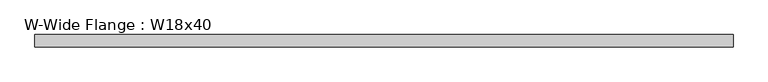
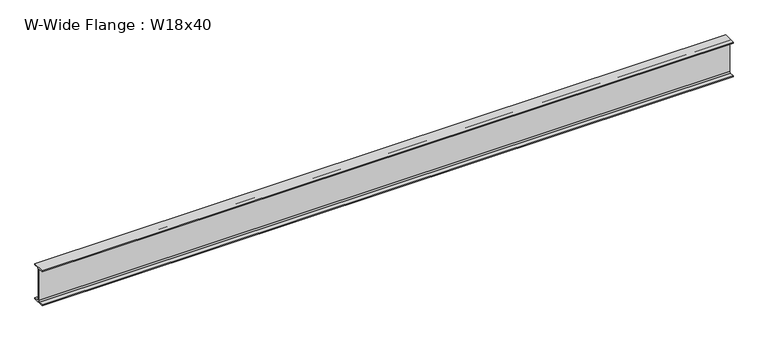
"""IFC4 building model written with IfcOpenShell, lengths in millimetres: beam geometry, W-Wide Flange : W18x40."""

import ifcopenshell
import ifcopenshell.guid

model = None  # the IFC model being written
_history = None  # IfcOwnerHistory: only IFC2X3 demands one
_inside = {}  # id of a spatial element -> (the spatial element, [elements in it])
_under = {}  # id of a project, library or spatial element -> (it, [spatial elements below it])
_declared = {}  # id of a project -> (the project, [libraries it declares])
_typed = {}  # id of a type object -> (the type object, [elements of that type])
_made_of = {}  # id of a material, layer set ... -> (it, [elements and type objects made of it])


def new_model(schema):
    """Start an empty IFC model of exactly this schema.

    Asked for "IFC4X3", IfcOpenShell would pick the latest addendum, in which some entities
    have other attributes; the version numbers below select the first issue.
    IFC2X3 requires an IfcOwnerHistory on every rooted entity: one is made here for all.
    """
    global model, _history
    if schema == "IFC4X3":
        model = ifcopenshell.file(schema_version=(4, 3, 0, 0))
    else:
        model = ifcopenshell.file(schema=schema)
    _inside.clear()
    _under.clear()
    _declared.clear()
    _typed.clear()
    _made_of.clear()
    _history = None
    if model.schema == "IFC2X3":
        org = make("IfcOrganization", Name="unknown")
        user = make(
            "IfcPersonAndOrganization",
            ThePerson=make("IfcPerson", FamilyName="unknown"),
            TheOrganization=org,
        )
        app = make(
            "IfcApplication",
            ApplicationDeveloper=org,
            Version="unknown",
            ApplicationFullName="unknown",
            ApplicationIdentifier="unknown",
        )
        _history = make(
            "IfcOwnerHistory",
            OwningUser=user,
            OwningApplication=app,
            ChangeAction="ADDED",
            CreationDate=0,
        )
    return model


def make(cls, **values):
    """One entity of the class cls with the attributes given. An attribute that is None is left unset."""
    return model.create_entity(
        cls, **{name: value for name, value in values.items() if value is not None}
    )


def rooted(cls, **values):
    """An entity with a GlobalId (a new one), such as an element, a storey or a relation."""
    return make(cls, GlobalId=ifcopenshell.guid.new(), OwnerHistory=_history, **values)


def si_unit(unit_type, name, prefix=None):
    """IfcSIUnit, for example si_unit("LENGTHUNIT", "METRE", prefix="MILLI")."""
    return make("IfcSIUnit", UnitType=unit_type, Prefix=prefix, Name=name)


def assignment(units):
    """IfcUnitAssignment: the units of a project."""
    return None if units is None else make("IfcUnitAssignment", Units=units)


def point(xyz):
    """IfcCartesianPoint."""
    return None if xyz is None else make("IfcCartesianPoint", Coordinates=xyz)


def direction(xyz):
    """IfcDirection."""
    return None if xyz is None else make("IfcDirection", DirectionRatios=xyz)


def frame(location, z_axis=None, x_axis=None):
    """IfcAxis2Placement3D, a coordinate frame: its origin and axes. An axis left out is left unset."""
    return make(
        "IfcAxis2Placement3D",
        Location=point(location),
        Axis=direction(z_axis),
        RefDirection=direction(x_axis),
    )


def frame_2d(location, x_axis=None):
    """IfcAxis2Placement2D, a coordinate frame in the plane: its origin and x axis."""
    return make(
        "IfcAxis2Placement2D", Location=point(location), RefDirection=direction(x_axis)
    )


def origin():
    """The frame at (0, 0, 0) with its axes left unset."""
    return frame((0.0, 0.0, 0.0))


def place(relative_to, where):
    """IfcLocalPlacement: puts the frame where relative to a parent placement (None: the world)."""
    return make(
        "IfcLocalPlacement", PlacementRelTo=relative_to, RelativePlacement=where
    )


def context(
    kind, dimensions, precision=None, world=None, true_north=None, identifier=None
):
    """IfcGeometricRepresentationContext, for example the 3D "Model" context."""
    return make(
        "IfcGeometricRepresentationContext",
        ContextIdentifier=identifier,
        ContextType=kind,
        CoordinateSpaceDimension=dimensions,
        Precision=precision,
        WorldCoordinateSystem=world,
        TrueNorth=true_north,
    )


def project(units=None, contexts=None):
    """IfcProject with its units and contexts."""
    return rooted(
        "IfcProject",
        Name="project",
        RepresentationContexts=contexts,
        UnitsInContext=assignment(units),
    )


def spatial(cls, under=None, at=None, **own):
    """A site, building, storey or space (cls), placed at a placement, below another one or the project."""
    s = rooted(cls, ObjectPlacement=at, **own)
    if under is not None:
        _under.setdefault(under.id(), (under, []))[1].append(s)
    return s


def polyline(points):
    """IfcPolyline through the points."""
    return make("IfcPolyline", Points=[point(p) for p in points])


def circle_curve(where, radius):
    """IfcCircle in the frame where."""
    return make("IfcCircle", Position=where, Radius=radius)


def trimmed(basis, trim1, trim2, sense, master):
    """IfcTrimmedCurve: the piece of a basis curve between two trims."""
    return make(
        "IfcTrimmedCurve",
        BasisCurve=basis,
        Trim1=trim1,
        Trim2=trim2,
        SenseAgreement=sense,
        MasterRepresentation=master,
    )


def segment(curve, same_sense, transition):
    """IfcCompositeCurveSegment."""
    return make(
        "IfcCompositeCurveSegment",
        Transition=transition,
        SameSense=same_sense,
        ParentCurve=curve,
    )


def composite_curve(segments, self_intersect=None):
    """IfcCompositeCurve: segments joined end to end."""
    return make("IfcCompositeCurve", Segments=segments, SelfIntersect=self_intersect)


def outline(outer, holes=None, kind="AREA"):
    """IfcArbitraryClosedProfileDef: a profile drawn as a closed curve; with holes, ...WithVoids."""
    if holes is None:
        return make("IfcArbitraryClosedProfileDef", ProfileType=kind, OuterCurve=outer)
    return make(
        "IfcArbitraryProfileDefWithVoids",
        ProfileType=kind,
        OuterCurve=outer,
        InnerCurves=holes,
    )


def extrude(swept, where, along, depth):
    """IfcExtrudedAreaSolid: the profile swept, set in the frame where, extruded along a direction by depth."""
    return make(
        "IfcExtrudedAreaSolid",
        SweptArea=swept,
        Position=where,
        ExtrudedDirection=direction(along),
        Depth=depth,
    )


def shape(context_of_items, identifier, shape_type, items):
    """IfcShapeRepresentation: the items that make up one representation, for example the "Body"."""
    return make(
        "IfcShapeRepresentation",
        ContextOfItems=context_of_items,
        RepresentationIdentifier=identifier,
        RepresentationType=shape_type,
        Items=items,
    )


def source(mapping_origin, context_of_items, identifier, shape_type, items):
    """IfcRepresentationMap: a shape defined once, which mapped items show again and again."""
    return make(
        "IfcRepresentationMap",
        MappingOrigin=mapping_origin,
        MappedRepresentation=shape(context_of_items, identifier, shape_type, items),
    )


def transform(
    local_origin,
    x_axis=None,
    y_axis=None,
    z_axis=None,
    scale=None,
    scale2=None,
    scale3=None,
    uniform=True,
):
    """IfcCartesianTransformationOperator3D, or its non-uniform kind. x_axis, y_axis, z_axis: its Axis1, 2, 3."""
    if uniform:
        return make(
            "IfcCartesianTransformationOperator3D",
            Axis1=direction(x_axis),
            Axis2=direction(y_axis),
            LocalOrigin=point(local_origin),
            Scale=scale,
            Axis3=direction(z_axis),
        )
    return make(
        "IfcCartesianTransformationOperator3DnonUniform",
        Axis1=direction(x_axis),
        Axis2=direction(y_axis),
        LocalOrigin=point(local_origin),
        Scale=scale,
        Axis3=direction(z_axis),
        Scale2=scale2,
        Scale3=scale3,
    )


def mapped(mapping_source, mapping_target):
    """IfcMappedItem: shows the shape of a source again, moved by a transform."""
    return make(
        "IfcMappedItem", MappingSource=mapping_source, MappingTarget=mapping_target
    )


def made_of(thing, what):
    """Note that an element or type object is made of a material, layer set ...; save() writes the relation."""
    if what is not None:
        _made_of.setdefault(what.id(), (what, []))[1].append(thing)
    return thing


def element(
    cls,
    number,
    at=None,
    inside=None,
    cuts=None,
    type_object=None,
    material=None,
    context=None,
    identifier="Body",
    shape_type=None,
    held_by="IfcProductDefinitionShape",
    body=None,
    shapes=None,
    **own,
):
    """One element of the class cls, such as IfcWall. Its Tag is "e" and its number.

    at: its placement. inside: the storey or other place that contains it. cuts: it is an
    opening in that element (IfcRelVoidsElement). A single representation is given by context,
    identifier, shape_type and body (its items); several are given by shapes. held_by: the class
    of the entity that holds the representations. save() writes the other relations.
    """
    e = rooted(cls, Tag="e%d" % number, ObjectPlacement=at, **own)
    if body is not None:
        shapes = [shape(context, identifier, shape_type, body)]
    if shapes is not None:
        e.Representation = make(held_by, Representations=shapes)
    if inside is not None:
        _inside.setdefault(inside.id(), (inside, []))[1].append(e)
    if cuts is not None:
        rooted(
            "IfcRelVoidsElement", RelatingBuildingElement=cuts, RelatedOpeningElement=e
        )
    if type_object is not None:
        _typed.setdefault(type_object.id(), (type_object, []))[1].append(e)
    return made_of(e, material)


def aggregate(whole, parts):
    """IfcRelAggregates: a whole, such as a stair, and the parts it consists of."""
    return rooted("IfcRelAggregates", RelatingObject=whole, RelatedObjects=parts)


def save(model, path):
    """Write the relations noted so far, then the file.

    IfcRelAggregates (storeys below a building ...), IfcRelContainedInSpatialStructure (elements
    in a storey), IfcRelDefinesByType, IfcRelAssociatesMaterial and IfcRelDeclares: one each for
    every whole, place, type object, material and project.
    """
    for whole, parts in _under.values():
        aggregate(whole, parts)
    for where, things in _inside.values():
        rooted(
            "IfcRelContainedInSpatialStructure",
            RelatedElements=things,
            RelatingStructure=where,
        )
    for kind, things in _typed.values():
        rooted("IfcRelDefinesByType", RelatedObjects=things, RelatingType=kind)
    for what, things in _made_of.values():
        rooted("IfcRelAssociatesMaterial", RelatedObjects=things, RelatingMaterial=what)
    for by, libraries in _declared.values():
        rooted("IfcRelDeclares", RelatingContext=by, RelatedDefinitions=libraries)
    model.write(path)


def w_wide_flange_w18x40_aa3422be(model_context):
    return source(origin(), model_context, "Body", "SweptSolid", [
        extrude(outline(composite_curve([segment(polyline([(76.454, -213.995), (76.454, -227.33), (-76.454, -227.33), (-76.454, -213.995), (-20.828, -213.995)]), True, "CONTINUOUS"), segment(trimmed(circle_curve(frame_2d((-20.828, -197.1675)), 16.8275), [point((-20.828, -213.995))], [point((-4.0005, -197.1675))], True, "CARTESIAN"), True, "CONTINUOUS"), segment(polyline([(-4.0005, -197.1675), (-4.0005, 197.1675)]), True, "CONTINUOUS"), segment(trimmed(circle_curve(frame_2d((-20.828, 197.1675)), 16.8275), [point((-4.0005, 197.1675))], [point((-20.828, 213.995))], True, "CARTESIAN"), True, "CONTINUOUS"), segment(polyline([(-20.828, 213.995), (-76.454, 213.995), (-76.454, 227.33), (76.454, 227.33), (76.454, 213.995), (20.828, 213.995)]), True, "CONTINUOUS"), segment(trimmed(circle_curve(frame_2d((20.828, 197.1675)), 16.8275), [point((20.828, 213.995))], [point((4.0005, 197.1675))], True, "CARTESIAN"), True, "CONTINUOUS"), segment(polyline([(4.0005, 197.1675), (4.0005, -197.1675)]), True, "CONTINUOUS"), segment(trimmed(circle_curve(frame_2d((20.828, -197.1675)), 16.8275), [point((4.0005, -197.1675))], [point((20.828, -213.995))], True, "CARTESIAN"), True, "CONTINUOUS"), segment(polyline([(20.828, -213.995), (76.454, -213.995)]), True, "CONTINUOUS")], self_intersect=False)), frame((-4253.23, 0.0, 0.0), z_axis=(1.0, 0.0, 0.0), x_axis=(0.0, 1.0, 0.0)), (0.0, 0.0, 1.0), 8506.46),
    ])


if __name__ == "__main__":
    model = new_model("IFC4")
    model_context = context("Model", 3, world=origin())
    ifc_project = project(units=[si_unit("LENGTHUNIT", "METRE", prefix="MILLI")], contexts=[model_context])
    site = spatial("IfcSite", under=ifc_project)
    building = spatial("IfcBuilding", under=site)
    placement = place(None, origin())
    w_wide_flange_w18x40_shape = w_wide_flange_w18x40_aa3422be(model_context)
    element("IfcBeam", 1, ObjectType="W-Wide Flange : W18x40", at=placement, inside=building, context=model_context, shape_type="MappedRepresentation", body=[
        mapped(w_wide_flange_w18x40_shape, transform((0.0, 0.0, 0.0), x_axis=(1.0, 0.0, 0.0), y_axis=(0.0, 1.0, 0.0), z_axis=(0.0, 0.0, 1.0))),
    ])
    save(model, "model.ifc")
